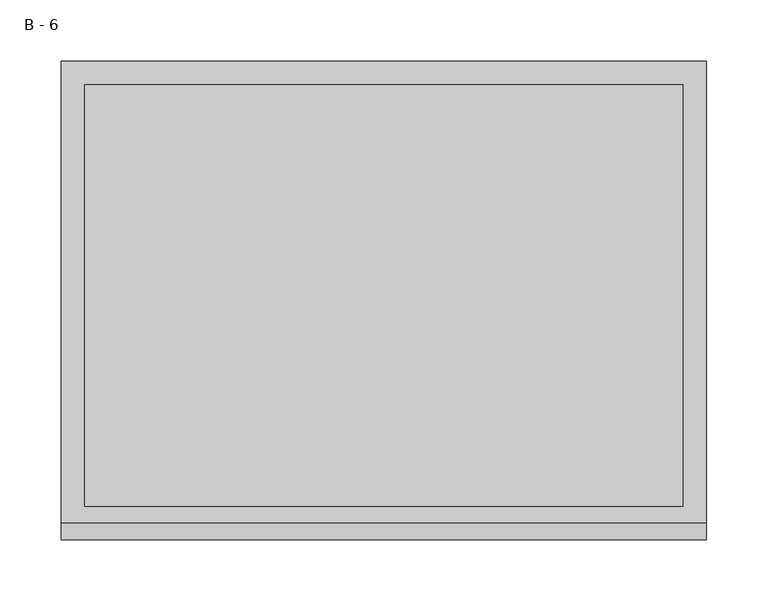
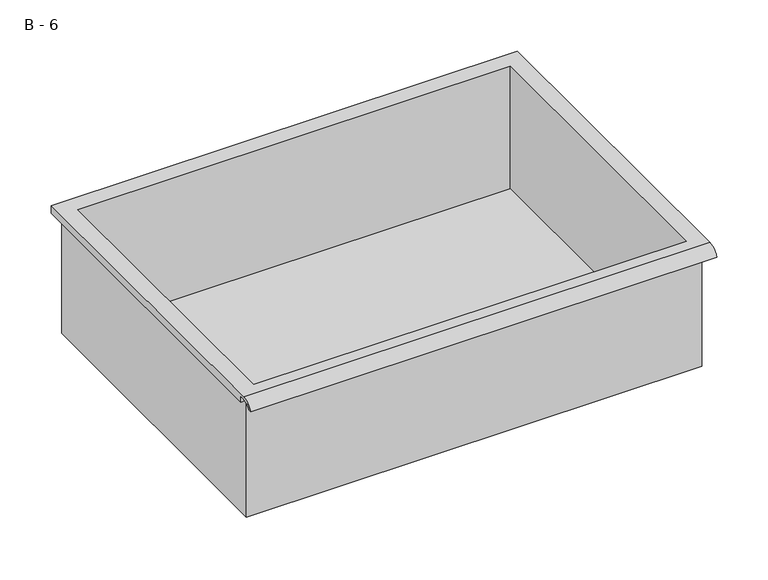
"""IFC4 building model written with IfcOpenShell, lengths in millimetres: furniture geometry, B - 6."""

from ifc_helpers import new_model, si_unit, frame, origin, place, context, project, spatial, polyline, circle_curve, source, transform, mapped, element, save
from ifc_brep_helpers import plane_surface, cylinder_surface, revolved_surface, advanced_brep


def b_6_9e1fa15d(model_context):
    return source(origin(), model_context, "Body", "AdvancedBrep", [
        advanced_brep(
        [(-257.1076517, -176.2125, 665.94482), (257.2423483, -176.2125, 665.94482), (257.2423483, -176.2125, 805.64482), (263.5923483, -176.2125, 805.64482), (263.5923483, -176.2125, 811.9519541), (-263.4576517, -176.2125, 811.9519541), (-263.4576517, -176.2125, 805.64482), (-257.1076517, -176.2125, 805.64482), (257.2423483, 185.7375, 665.94482), (-257.1076517, 185.7375, 665.94482), (-257.1076517, 185.7375, 805.64482), (257.2423483, 185.7375, 805.64482), (263.5923483, -181.6070544, 815.16982), (263.5923483, 195.2625, 815.16982), (-263.4576517, 195.2625, 815.16982), (-263.4576517, -181.6070544, 815.16982), (244.5423483, -168.275, 815.16982), (-244.4076517, -168.275, 815.16982), (-244.4076517, 176.2125, 815.16982), (244.5423483, 176.2125, 815.16982), (263.5923483, -195.2625, 805.64482), (263.5923483, -191.8280601, 805.64482), (263.5923483, -180.4714815, 811.9519541), (263.5923483, 195.2625, 805.64482), (-263.4576517, 195.2625, 805.64482), (-263.4576517, -180.4714815, 811.9519541), (-263.4576517, -191.8280601, 805.64482), (-263.4576517, -195.2625, 805.64482), (-244.4076517, -168.275, 668.9709919), (244.5423483, -168.275, 668.9709919), (244.5423483, 176.2125, 668.9709919), (-244.4076517, 176.2125, 668.9709919)],
        [
            (0, 1),
            (1, 2),
            (2, 3),
            (3, 4),
            (4, 5),
            (5, 6),
            (6, 7),
            (7, 0),
            (8, 9),
            (9, 10),
            (10, 11),
            (11, 8),
            (0, 9),
            (8, 1),
            (11, 2),
            (12, 13),
            (13, 14),
            (14, 15),
            (15, 12),
            (16, 17),
            (17, 18),
            (18, 19),
            (19, 16),
            (7, 10),
            (12, 20, circle_curve(frame((263.5923483, -181.6070544, 800.6188059), z_axis=(1.0, 0.0, 0.0), x_axis=(0.0, 1.0, 0.0)), 14.5510141)),
            (20, 21),
            (21, 22, circle_curve(frame((263.5923483, -181.6070544, 800.6188059), z_axis=(-1.0, 0.0, 0.0), x_axis=(0.0, 1.0, 0.0)), 11.3898979)),
            (22, 4),
            (3, 23),
            (23, 13),
            (14, 24),
            (24, 6),
            (5, 25),
            (25, 26, circle_curve(frame((-263.4576517, -181.6070544, 800.6188059), z_axis=(1.0, 0.0, 0.0), x_axis=(0.0, 1.0, 0.0)), 11.3898979)),
            (26, 27),
            (27, 15, circle_curve(frame((-263.4576517, -181.6070544, 800.6188059), z_axis=(-1.0, 0.0, 0.0), x_axis=(0.0, 1.0, 0.0)), 14.5510141)),
            (27, 20),
            (26, 21),
            (25, 22),
            (24, 23),
            (28, 29),
            (29, 30),
            (30, 31),
            (31, 28),
            (28, 17),
            (16, 29),
            (19, 30),
            (18, 31),
        ],
        [
            plane_surface(frame((257.2423483, -176.2125, 665.94482), z_axis=(0.0, -1.0, 0.0), x_axis=(1.0, 0.0, 0.0))),
            plane_surface(frame((257.2423483, 185.7375, 665.94482), z_axis=(0.0, 1.0, 0.0), x_axis=(-1.0, 0.0, 0.0))),
            plane_surface(frame((-257.1076517, -176.2125, 665.94482), z_axis=(0.0, 0.0, -1.0), x_axis=(0.0, 1.0, 0.0))),
            plane_surface(frame((257.2423483, -176.2125, 665.94482), z_axis=(1.0, 0.0, 0.0), x_axis=(0.0, 1.0, 0.0))),
            plane_surface(frame((257.2423483, -176.2125, 815.16982), z_axis=(0.0, 0.0, 1.0), x_axis=(0.0, 1.0, 0.0))),
            plane_surface(frame((-257.1076517, -176.2125, 815.16982), z_axis=(-1.0, 0.0, 0.0), x_axis=(0.0, 1.0, 0.0))),
            plane_surface(frame((263.5923483, 195.2625, 815.16982), z_axis=(1.0, 0.0, 0.0), x_axis=(0.0, -1.0, 0.0))),
            plane_surface(frame((-263.4576517, 195.2625, 815.16982), z_axis=(-1.0, 0.0, 0.0), x_axis=(0.0, 1.0, 0.0))),
            cylinder_surface(frame((-263.4576517, -181.6070544, 800.6188059), z_axis=(1.0, 0.0, 0.0), x_axis=(0.0, 1.0, 0.0)), 14.5510141),
            plane_surface(frame((263.5923483, -195.2625, 805.64482), z_axis=(0.0, -7.212409108514972e-12, -1.0), x_axis=(-1.0, 0.0, 0.0))),
            revolved_surface(polyline([(-263.4576517, -170.21715650000002, 800.6188059), (263.59234829999997, -170.21715650000002, 800.6188059)]), (-263.4576517, -181.6070544, 800.6188059), (-1.0, 0.0, 0.0)),
            plane_surface(frame((263.5923483, -180.4714815, 811.9519541), z_axis=(0.0, -1.7956755870570704e-11, -1.0), x_axis=(-1.0, 0.0, 0.0))),
            plane_surface(frame((263.5923483, -176.2125, 805.64482), z_axis=(0.0, 0.0, -1.0), x_axis=(-1.0, 0.0, 0.0))),
            plane_surface(frame((263.5923483, 195.2625, 805.64482), z_axis=(0.0, 1.0, 0.0), x_axis=(-1.0, 0.0, 0.0))),
            plane_surface(frame((244.5423483, -168.275, 668.9709919), z_axis=(0.0, 0.0, 1.0), x_axis=(-1.0, 0.0, 0.0))),
            plane_surface(frame((-244.4076517, -168.275, 815.16982), z_axis=(0.0, 1.0, 0.0), x_axis=(0.0, 0.0, -1.0))),
            plane_surface(frame((244.5423483, -168.275, 815.16982), z_axis=(-1.0, 0.0, 0.0), x_axis=(0.0, 0.0, -1.0))),
            plane_surface(frame((244.5423483, 176.2125, 815.16982), z_axis=(0.0, -1.0, 0.0), x_axis=(0.0, 0.0, -1.0))),
            plane_surface(frame((-244.4076517, 176.2125, 815.16982), z_axis=(1.0, 0.0, 0.0), x_axis=(0.0, 0.0, -1.0))),
        ],
        [
            (0, [[1, 2, 3, 4, 5, 6, 7, 8]]),
            (1, [[9, 10, 11, 12]]),
            (2, [[-1, 13, -9, 14]]),
            (3, [[-14, -12, 15, -2]]),
            (4, [[16, 17, 18, 19], [20, 21, 22, 23]]),
            (5, [[-13, -8, 24, -10]]),
            (6, [[-16, 25, 26, 27, 28, -4, 29, 30]]),
            (7, [[31, 32, -6, 33, 34, 35, 36, -18]]),
            (8, [[-25, -19, -36, 37]]),
            (9, [[-26, -37, -35, 38]]),
            (10, [[-27, -38, -34, 39]]),
            (11, [[-28, -39, -33, -5]]),
            (12, [[-29, -3, -15, -11, -24, -7, -32, 40]]),
            (13, [[-30, -40, -31, -17]]),
            (14, [[41, 42, 43, 44]]),
            (15, [[-41, 45, -20, 46]]),
            (16, [[-42, -46, -23, 47]]),
            (17, [[-43, -47, -22, 48]]),
            (18, [[-44, -48, -21, -45]]),
        ],
    ),
    ])


if __name__ == "__main__":
    model = new_model("IFC4")
    model_context = context("Model", 3, world=origin())
    ifc_project = project(units=[si_unit("LENGTHUNIT", "METRE", prefix="MILLI")], contexts=[model_context])
    site = spatial("IfcSite", under=ifc_project)
    building = spatial("IfcBuilding", under=site)
    placement = place(None, origin())
    b_6_shape = b_6_9e1fa15d(model_context)
    element("IfcFurniture", 1, ObjectType="B - 6", at=placement, inside=building, context=model_context, shape_type="MappedRepresentation", body=[
        mapped(b_6_shape, transform((0.0, 0.0, 0.0), x_axis=(1.0, 0.0, 0.0), y_axis=(0.0, 1.0, 0.0), z_axis=(0.0, 0.0, 1.0))),
    ])
    save(model, "model.ifc")
